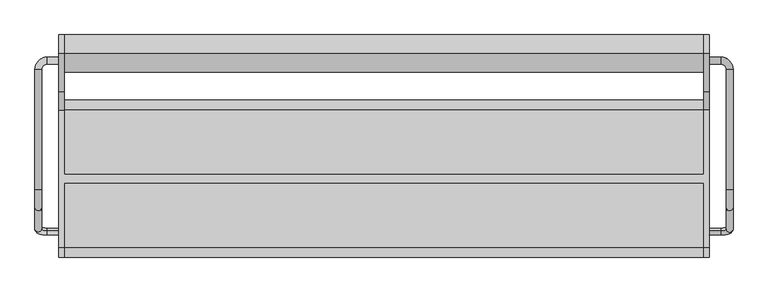
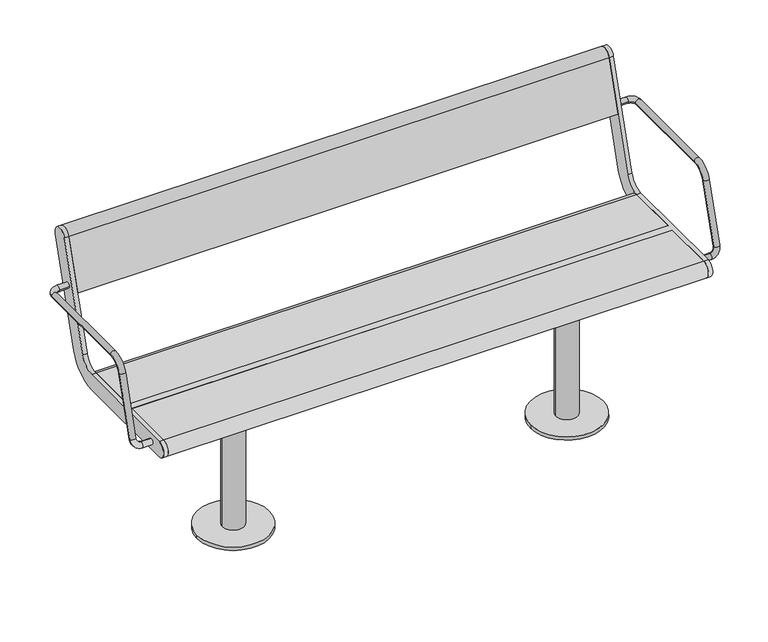
"""IFC4 building model written with IfcOpenShell, lengths in millimetres: furniture geometry."""

from ifc_helpers import new_model, si_unit, point, frame, frame_2d, origin, origin_with_axes, place, context, project, spatial, polyline, circle_curve, ellipse_curve, trimmed, segment, composite_curve, outline, extrude, source, transform, mapped, element, save
from ifc_brep_helpers import plane_surface, cylinder_surface, revolved_surface, advanced_brep


def furniture_fd13a393(model_context):
    return source(origin(), model_context, "Body", "SolidModel", [
        advanced_brep(
        [(-757.0, -121.1610264, 435.150438), (-757.0, -125.8389736, 419.849562), (-784.0, -125.8389736, 419.849562), (-784.0, -121.1610264, 435.150438), (-813.0, -117.3601942, 447.5823999), (-797.0, -117.3601942, 447.5823999), (-813.0, 254.5, 641.5), (-813.0, -24.7753858, 641.5), (-797.0, -24.7753858, 641.5), (-797.0, 254.5, 641.5), (-797.0, -67.8090998, 609.6567267), (-813.0, -67.8090998, 609.6567267), (-757.0, 267.5, 641.5), (-757.0, 283.5, 641.5), (-784.0, 283.5, 641.5), (-784.0, 267.5, 641.5)],
        [
            (0, 1, circle_curve(frame((-757.0, -123.5, 427.5), z_axis=(1.0, 0.0, 0.0), x_axis=(0.0, -0.2923717047227402, -0.9563047559630344)), 8.0)),
            (1, 0, circle_curve(frame((-757.0, -123.5, 427.5), z_axis=(1.0, 0.0, 0.0), x_axis=(0.0, -0.2923717047227402, -0.9563047559630344)), 8.0)),
            (1, 2),
            (2, 3, circle_curve(frame((-784.0, -123.5, 427.5), z_axis=(1.0, 0.0, 0.0), x_axis=(0.0, -0.2923717047227402, -0.9563047559630344)), 8.0)),
            (3, 0),
            (3, 2, circle_curve(frame((-784.0, -123.5, 427.5), z_axis=(1.0, 0.0, 0.0), x_axis=(0.0, -0.2923717047227402, -0.9563047559630344)), 8.0)),
            (2, 4, circle_curve(frame((-784.0, -117.3601942, 447.5823999), z_axis=(0.0, 0.9563047559630344, -0.29237170472274027), x_axis=(0.0, -0.29237170472274027, -0.9563047559630344)), 29.0)),
            (4, 5, circle_curve(frame((-805.0, -117.3601942, 447.5823999), z_axis=(0.0, -0.29237170472274027, -0.9563047559630344), x_axis=(-1.0, 0.0, 0.0)), 8.0)),
            (5, 3, circle_curve(frame((-784.0, -117.3601942, 447.5823999), z_axis=(0.0, -0.9563047559630344, 0.29237170472274027), x_axis=(0.0, -0.29237170472274027, -0.9563047559630344)), 13.0)),
            (5, 4, circle_curve(frame((-805.0, -117.3601942, 447.5823999), z_axis=(0.0, -0.29237170472274027, -0.9563047559630344), x_axis=(-1.0, 0.0, 0.0)), 8.0)),
            (6, 7),
            (7, 8, circle_curve(frame((-805.0, -24.7753858, 641.5), z_axis=(0.0, 1.0, 0.0), x_axis=(-1.0, 0.0, 0.0)), 8.0)),
            (8, 9),
            (9, 6, circle_curve(frame((-805.0, 254.5, 641.5), z_axis=(0.0, -1.0, 0.0), x_axis=(-1.0, 0.0, 0.0)), 8.0)),
            (6, 9, circle_curve(frame((-805.0, 254.5, 641.5), z_axis=(0.0, -1.0, 0.0), x_axis=(-1.0, 0.0, 0.0)), 8.0)),
            (8, 7, circle_curve(frame((-805.0, -24.7753858, 641.5), z_axis=(0.0, 1.0, 0.0), x_axis=(-1.0, 0.0, 0.0)), 8.0)),
            (10, 11, circle_curve(frame((-805.0, -67.8090998, 609.6567267), z_axis=(0.0, -0.2923717047227378, -0.9563047559630351), x_axis=(-1.0, 0.0, 0.0)), 8.0)),
            (11, 4),
            (5, 10),
            (11, 10, circle_curve(frame((-805.0, -67.8090998, 609.6567267), z_axis=(0.0, -0.2923717047227378, -0.9563047559630351), x_axis=(-1.0, 0.0, 0.0)), 8.0)),
            (7, 11, circle_curve(frame((-813.0, -24.7753858, 596.5), z_axis=(1.0, 0.0, 0.0), x_axis=(0.0, 0.0, 1.0)), 45.0)),
            (10, 8, circle_curve(frame((-797.0, -24.7753858, 596.5), z_axis=(-1.0, 0.0, 0.0), x_axis=(0.0, 0.0, 1.0)), 45.0)),
            (12, 13, circle_curve(frame((-757.0, 275.5, 641.5), z_axis=(1.0, 0.0, 0.0), x_axis=(0.0, 1.0, 0.0)), 8.0)),
            (13, 12, circle_curve(frame((-757.0, 275.5, 641.5), z_axis=(1.0, 0.0, 0.0), x_axis=(0.0, 1.0, 0.0)), 8.0)),
            (13, 14),
            (14, 15, circle_curve(frame((-784.0, 275.5, 641.5), z_axis=(1.0, 0.0, 0.0), x_axis=(0.0, 1.0, 0.0)), 8.0)),
            (15, 12),
            (15, 14, circle_curve(frame((-784.0, 275.5, 641.5), z_axis=(1.0, 0.0, 0.0), x_axis=(0.0, 1.0, 0.0)), 8.0)),
            (14, 6, circle_curve(frame((-784.0, 254.5, 641.5), z_axis=(0.0, 0.0, 1.0), x_axis=(0.0, 1.0, 0.0)), 29.0)),
            (9, 15, circle_curve(frame((-784.0, 254.5, 641.5), z_axis=(0.0, 0.0, -1.0), x_axis=(0.0, 1.0, 0.0)), 13.0)),
        ],
        [
            plane_surface(frame((-757.0, -736.969501, 615.0564486), z_axis=(1.0, 0.0, 0.0), x_axis=(0.0, 0.9563047559630344, -0.29237170472274027))),
            cylinder_surface(frame((-757.0, -123.5, 427.5), z_axis=(1.0, 0.0, 0.0), x_axis=(0.0, -0.2923717047227402, -0.9563047559630344)), 8.0),
            revolved_surface(trimmed(ellipse_curve(frame((-784.0, -123.5, 427.5), z_axis=(1.0, 0.0, 0.0), x_axis=(0.0, -0.2923717047227402, -0.9563047559630344)), 8.0, 8.0), [point((-784.0, -125.8389736, 419.849562))], [point((-784.0, -121.1610264, 435.150438))], True, "CARTESIAN"), (-784.0, -730.8296952, 635.1388485), (0.0, 0.9563047559630344, -0.29237170472274027)),
            revolved_surface(trimmed(ellipse_curve(frame((-784.0, -123.5, 427.5), z_axis=(1.0, 0.0, 0.0), x_axis=(0.0, -0.2923717047227402, -0.9563047559630344)), 8.0, 8.0), [point((-784.0, -121.1610264, 435.150438))], [point((-784.0, -125.8389736, 419.849562))], True, "CARTESIAN"), (-784.0, -730.8296952, 635.1388485), (0.0, 0.9563047559630344, -0.29237170472274027)),
            cylinder_surface(frame((-805.0, 254.5, 641.5), z_axis=(0.0, 1.0, 0.0), x_axis=(-1.0, 0.0, 0.0)), 8.0),
            cylinder_surface(frame((-805.0, -67.8090998, 609.6567267), z_axis=(0.0, 0.2923717047227378, 0.9563047559630351), x_axis=(-1.0, 0.0, 0.0)), 8.0),
            revolved_surface(trimmed(ellipse_curve(frame((-805.0, -24.7753858, 641.5), z_axis=(0.0, 1.0, 0.0), x_axis=(-1.0, 0.0, 0.0)), 8.0, 8.0), [point((-813.0, -24.7753858, 641.5))], [point((-797.0, -24.7753858, 641.5))], True, "CARTESIAN"), (-500.0, -24.7753858, 596.5), (1.0, 0.0, 0.0)),
            revolved_surface(trimmed(ellipse_curve(frame((-805.0, -24.7753858, 641.5), z_axis=(0.0, 1.0, 0.0), x_axis=(-1.0, 0.0, 0.0)), 8.0, 8.0), [point((-797.0, -24.7753858, 641.5))], [point((-813.0, -24.7753858, 641.5))], True, "CARTESIAN"), (-500.0, -24.7753858, 596.5), (1.0, 0.0, 0.0)),
            plane_surface(frame((-757.0, 275.5, 0.0), z_axis=(1.0, 0.0, 0.0), x_axis=(0.0, 0.0, 1.0))),
            cylinder_surface(frame((-757.0, 275.5, 641.5), z_axis=(1.0, 0.0, 0.0), x_axis=(0.0, 1.0, 0.0)), 8.0),
            revolved_surface(trimmed(ellipse_curve(frame((-784.0, 275.5, 641.5), z_axis=(1.0, 0.0, 0.0), x_axis=(0.0, 1.0, 0.0)), 8.0, 8.0), [point((-784.0, 283.5, 641.5))], [point((-784.0, 267.5, 641.5))], True, "CARTESIAN"), (-784.0, 254.5, 0.0), (0.0, 0.0, 1.0)),
            revolved_surface(trimmed(ellipse_curve(frame((-784.0, 275.5, 641.5), z_axis=(1.0, 0.0, 0.0), x_axis=(0.0, 1.0, 0.0)), 8.0, 8.0), [point((-784.0, 267.5, 641.5))], [point((-784.0, 283.5, 641.5))], True, "CARTESIAN"), (-784.0, 254.5, 0.0), (0.0, 0.0, 1.0)),
        ],
        [
            (0, [[1, 2]]),
            (1, [[-2, 3, 4, 5]]),
            (1, [[-1, -5, 6, -3]]),
            (2, [[-4, 7, 8, 9]]),
            (3, [[-6, -9, 10, -7]]),
            (4, [[11, 12, 13, 14]]),
            (4, [[-11, 15, -13, 16]]),
            (5, [[17, 18, -10, 19]]),
            (5, [[-18, 20, -19, -8]]),
            (6, [[-12, 21, -17, 22]]),
            (7, [[-16, -22, -20, -21]]),
            (8, [[23, 24]]),
            (9, [[-24, 25, 26, 27]]),
            (9, [[-23, -27, 28, -25]]),
            (10, [[-26, 29, -14, 30]]),
            (11, [[-28, -30, -15, -29]]),
        ],
    ),
        advanced_brep(
        [(797.0, 254.5, 641.5), (797.0, -24.7753858, 641.5), (813.0, -24.7753858, 641.5), (813.0, 254.5, 641.5), (813.0, -67.8090998, 609.6567267), (797.0, -67.8090998, 609.6567267), (797.0, -117.3601942, 447.5823999), (813.0, -117.3601942, 447.5823999), (757.0, 267.5, 641.5), (757.0, 283.5, 641.5), (784.0, 267.5, 641.5), (784.0, 283.5, 641.5), (757.0, -121.1610264, 435.150438), (757.0, -125.8389736, 419.849562), (784.0, -121.1610264, 435.150438), (784.0, -125.8389736, 419.849562)],
        [
            (0, 1),
            (1, 2, circle_curve(frame((805.0, -24.7753858, 641.5), z_axis=(0.0, 1.0, 0.0), x_axis=(1.0, 0.0, 0.0)), 8.0)),
            (2, 3),
            (3, 0, circle_curve(frame((805.0, 254.5, 641.5), z_axis=(0.0, -1.0, 0.0), x_axis=(1.0, 0.0, 0.0)), 8.0)),
            (0, 3, circle_curve(frame((805.0, 254.5, 641.5), z_axis=(0.0, -1.0, 0.0), x_axis=(1.0, 0.0, 0.0)), 8.0)),
            (2, 1, circle_curve(frame((805.0, -24.7753858, 641.5), z_axis=(0.0, 1.0, 0.0), x_axis=(1.0, 0.0, 0.0)), 8.0)),
            (4, 5, circle_curve(frame((805.0, -67.8090998, 609.6567267), z_axis=(0.0, -0.2923717047227378, -0.9563047559630351), x_axis=(1.0, 0.0, 0.0)), 8.0)),
            (5, 6),
            (6, 7, circle_curve(frame((805.0, -117.3601942, 447.5823999), z_axis=(0.0, 0.2923717047227378, 0.9563047559630351), x_axis=(1.0, 0.0, 0.0)), 8.0)),
            (7, 4),
            (5, 4, circle_curve(frame((805.0, -67.8090998, 609.6567267), z_axis=(0.0, -0.2923717047227378, -0.9563047559630351), x_axis=(1.0, 0.0, 0.0)), 8.0)),
            (7, 6, circle_curve(frame((805.0, -117.3601942, 447.5823999), z_axis=(0.0, 0.2923717047227378, 0.9563047559630351), x_axis=(1.0, 0.0, 0.0)), 8.0)),
            (1, 5, circle_curve(frame((797.0, -24.7753858, 596.5), z_axis=(1.0, 0.0, 0.0), x_axis=(0.0, 0.0, 1.0)), 45.0)),
            (4, 2, circle_curve(frame((813.0, -24.7753858, 596.5), z_axis=(-1.0, 0.0, 0.0), x_axis=(0.0, 0.0, 1.0)), 45.0)),
            (8, 9, circle_curve(frame((757.0, 275.5, 641.5), z_axis=(-1.0, 0.0, 0.0), x_axis=(0.0, 1.0, 0.0)), 8.0)),
            (9, 8, circle_curve(frame((757.0, 275.5, 641.5), z_axis=(-1.0, 0.0, 0.0), x_axis=(0.0, 1.0, 0.0)), 8.0)),
            (8, 10),
            (10, 11, circle_curve(frame((784.0, 275.5, 641.5), z_axis=(-1.0, 0.0, 0.0), x_axis=(0.0, 1.0, 0.0)), 8.0)),
            (11, 9),
            (11, 10, circle_curve(frame((784.0, 275.5, 641.5), z_axis=(-1.0, 0.0, 0.0), x_axis=(0.0, 1.0, 0.0)), 8.0)),
            (10, 0, circle_curve(frame((784.0, 254.5, 641.5), z_axis=(0.0, 0.0, -1.0), x_axis=(0.0, 1.0, 0.0)), 13.0)),
            (3, 11, circle_curve(frame((784.0, 254.5, 641.5), z_axis=(0.0, 0.0, 1.0), x_axis=(0.0, 1.0, 0.0)), 29.0)),
            (12, 13, circle_curve(frame((757.0, -123.5, 427.5), z_axis=(-1.0, 0.0, 0.0), x_axis=(0.0, -0.2923717047227402, -0.9563047559630344)), 8.0)),
            (13, 12, circle_curve(frame((757.0, -123.5, 427.5), z_axis=(-1.0, 0.0, 0.0), x_axis=(0.0, -0.2923717047227402, -0.9563047559630344)), 8.0)),
            (12, 14),
            (14, 15, circle_curve(frame((784.0, -123.5, 427.5), z_axis=(-1.0, 0.0, 0.0), x_axis=(0.0, -0.2923717047227402, -0.9563047559630344)), 8.0)),
            (15, 13),
            (15, 14, circle_curve(frame((784.0, -123.5, 427.5), z_axis=(-1.0, 0.0, 0.0), x_axis=(0.0, -0.2923717047227402, -0.9563047559630344)), 8.0)),
            (14, 6, circle_curve(frame((784.0, -117.3601942, 447.5823999), z_axis=(0.0, -0.9563047559630344, 0.2923717047227402), x_axis=(0.0, -0.2923717047227402, -0.9563047559630344)), 13.0)),
            (7, 15, circle_curve(frame((784.0, -117.3601942, 447.5823999), z_axis=(0.0, 0.9563047559630344, -0.2923717047227402), x_axis=(0.0, -0.2923717047227402, -0.9563047559630344)), 29.0)),
        ],
        [
            cylinder_surface(frame((805.0, 254.5, 641.5), z_axis=(0.0, 1.0, 0.0), x_axis=(1.0, 0.0, 0.0)), 8.0),
            cylinder_surface(frame((805.0, -67.8090998, 609.6567267), z_axis=(0.0, 0.2923717047227378, 0.9563047559630351), x_axis=(1.0, 0.0, 0.0)), 8.0),
            revolved_surface(trimmed(ellipse_curve(frame((805.0, -24.7753858, 641.5), z_axis=(0.0, 1.0, 0.0), x_axis=(1.0, 0.0, 0.0)), 8.0, 8.0), [point((797.0, -24.7753858, 641.5))], [point((813.0, -24.7753858, 641.5))], True, "CARTESIAN"), (0.0, -24.7753858, 596.5), (1.0, 0.0, 0.0)),
            revolved_surface(trimmed(ellipse_curve(frame((805.0, -24.7753858, 641.5), z_axis=(0.0, 1.0, 0.0), x_axis=(1.0, 0.0, 0.0)), 8.0, 8.0), [point((813.0, -24.7753858, 641.5))], [point((797.0, -24.7753858, 641.5))], True, "CARTESIAN"), (0.0, -24.7753858, 596.5), (1.0, 0.0, 0.0)),
            plane_surface(frame((757.0, 275.5, 0.0), z_axis=(-1.0, 0.0, 0.0), x_axis=(0.0, 0.0, 1.0))),
            cylinder_surface(frame((757.0, 275.5, 641.5), z_axis=(-1.0, 0.0, 0.0), x_axis=(0.0, 1.0, 0.0)), 8.0),
            revolved_surface(trimmed(ellipse_curve(frame((784.0, 275.5, 641.5), z_axis=(-1.0, 0.0, 0.0), x_axis=(0.0, 1.0, 0.0)), 8.0, 8.0), [point((784.0, 267.5, 641.5))], [point((784.0, 283.5, 641.5))], True, "CARTESIAN"), (784.0, 254.5, 0.0), (0.0, 0.0, -1.0)),
            revolved_surface(trimmed(ellipse_curve(frame((784.0, 275.5, 641.5), z_axis=(-1.0, 0.0, 0.0), x_axis=(0.0, 1.0, 0.0)), 8.0, 8.0), [point((784.0, 283.5, 641.5))], [point((784.0, 267.5, 641.5))], True, "CARTESIAN"), (784.0, 254.5, 0.0), (0.0, 0.0, -1.0)),
            plane_surface(frame((757.0, -736.969501, 615.0564486), z_axis=(-1.0, 0.0, 0.0), x_axis=(0.0, 0.9563047559630344, -0.2923717047227402))),
            cylinder_surface(frame((757.0, -123.5, 427.5), z_axis=(-1.0, 0.0, 0.0), x_axis=(0.0, -0.2923717047227402, -0.9563047559630344)), 8.0),
            revolved_surface(trimmed(ellipse_curve(frame((784.0, -123.5, 427.5), z_axis=(-1.0, 0.0, 0.0), x_axis=(0.0, -0.2923717047227402, -0.9563047559630344)), 8.0, 8.0), [point((784.0, -121.1610264, 435.150438))], [point((784.0, -125.8389736, 419.849562))], True, "CARTESIAN"), (784.0, -730.8296952, 635.1388485), (0.0, -0.9563047559630344, 0.2923717047227402)),
            revolved_surface(trimmed(ellipse_curve(frame((784.0, -123.5, 427.5), z_axis=(-1.0, 0.0, 0.0), x_axis=(0.0, -0.2923717047227402, -0.9563047559630344)), 8.0, 8.0), [point((784.0, -125.8389736, 419.849562))], [point((784.0, -121.1610264, 435.150438))], True, "CARTESIAN"), (784.0, -730.8296952, 635.1388485), (0.0, -0.9563047559630344, 0.2923717047227402)),
        ],
        [
            (0, [[1, 2, 3, 4]]),
            (0, [[-1, 5, -3, 6]]),
            (1, [[7, 8, 9, 10]]),
            (1, [[-8, 11, -10, 12]]),
            (2, [[-2, 13, -7, 14]]),
            (3, [[-6, -14, -11, -13]]),
            (4, [[15, 16]]),
            (5, [[-15, 17, 18, 19]]),
            (5, [[-16, -19, 20, -17]]),
            (6, [[-18, 21, -4, 22]]),
            (7, [[-20, -22, -5, -21]]),
            (8, [[23, 24]]),
            (9, [[-23, 25, 26, 27]]),
            (9, [[-24, -27, 28, -25]]),
            (10, [[-26, 29, -12, 30]]),
            (11, [[-28, -30, -9, -29]]),
        ],
    ),
        advanced_brep(
        [(-745.0, 291.5375971, 769.6910048), (-745.0, 203.533714, 481.8432733), (-745.0, 160.5, 450.0), (-745.0, 10.0, 450.0), (-745.0, 10.0, 405.0), (-745.0, 160.5, 405.0), (-745.0, 246.567428, 468.6865466), (-745.0, 334.5713112, 756.5342781), (-745.0, -160.5, 450.0), (-745.0, -160.5, 405.0), (-745.0, -10.0, 405.0), (-745.0, -10.0, 450.0), (-757.0, 291.5375971, 769.6910048), (-757.0, 334.5713112, 756.5342781), (-757.0, 246.567428, 468.6865466), (-757.0, 160.5, 405.0), (-757.0, -160.5, 405.0), (-757.0, -160.5, 450.0), (-757.0, 160.5, 450.0), (-757.0, 203.533714, 481.8432733), (745.0, -10.0, 450.0), (745.0, -160.5, 450.0), (757.0, -160.5, 450.0), (757.0, 160.5, 450.0), (745.0, 160.5, 450.0), (745.0, 10.0, 450.0), (745.0, 10.0, 405.0), (745.0, 160.5, 405.0), (757.0, 160.5, 405.0), (757.0, -160.5, 405.0), (745.0, -160.5, 405.0), (745.0, -10.0, 405.0), (757.0, 291.5375971, 769.6910048), (757.0, 203.533714, 481.8432733), (757.0, 246.567428, 468.6865466), (757.0, 334.5713112, 756.5342781), (745.0, 291.5375971, 769.6910048), (745.0, 334.5713112, 756.5342781), (745.0, 246.567428, 468.6865466), (745.0, 203.533714, 481.8432733)],
        [
            (0, 1),
            (1, 2, circle_curve(frame((-745.0, 160.5, 495.0), z_axis=(-1.0, 0.0, 0.0), x_axis=(0.0, -1.0, 0.0)), 45.0)),
            (2, 3),
            (3, 4),
            (4, 5),
            (5, 6, circle_curve(frame((-745.0, 160.5, 495.0), z_axis=(1.0, 0.0, 0.0), x_axis=(0.0, -1.0, 0.0)), 90.0)),
            (6, 7),
            (7, 0, circle_curve(frame((-745.0, 313.0544541, 763.1126415), z_axis=(1.0, 0.0, 0.0), x_axis=(0.0, -1.0, 0.0)), 22.5)),
            (8, 9, circle_curve(frame((-745.0, -160.5, 427.5), z_axis=(1.0, 0.0, 0.0), x_axis=(0.0, -1.0, 0.0)), 22.5)),
            (9, 10),
            (10, 11),
            (11, 8),
            (12, 13, circle_curve(frame((-757.0, 313.0544541, 763.1126415), z_axis=(-1.0, 0.0, 0.0), x_axis=(0.0, -1.0, 0.0)), 22.5)),
            (13, 14),
            (14, 15, circle_curve(frame((-757.0, 160.5, 495.0), z_axis=(-1.0, 0.0, 0.0), x_axis=(0.0, -1.0, 0.0)), 90.0)),
            (15, 16),
            (16, 17, circle_curve(frame((-757.0, -160.5, 427.5), z_axis=(-1.0, 0.0, 0.0), x_axis=(0.0, -1.0, 0.0)), 22.5)),
            (17, 18),
            (18, 19, circle_curve(frame((-757.0, 160.5, 495.0), z_axis=(1.0, 0.0, 0.0), x_axis=(0.0, -1.0, 0.0)), 45.0)),
            (19, 12),
            (0, 12),
            (19, 1),
            (18, 2),
            (17, 8),
            (11, 20),
            (20, 21),
            (21, 22),
            (22, 23),
            (23, 24),
            (24, 25),
            (25, 3),
            (15, 5),
            (4, 26),
            (26, 27),
            (27, 28),
            (28, 29),
            (29, 30),
            (30, 31),
            (31, 10),
            (9, 16),
            (14, 6),
            (13, 7),
            (31, 20),
            (25, 26),
            (32, 33),
            (33, 23, circle_curve(frame((757.0, 160.5, 495.0), z_axis=(-1.0, 0.0, 0.0), x_axis=(0.0, -1.0, 0.0)), 45.0)),
            (22, 29, circle_curve(frame((757.0, -160.5, 427.5), z_axis=(1.0, 0.0, 0.0), x_axis=(0.0, -1.0, 0.0)), 22.5)),
            (28, 34, circle_curve(frame((757.0, 160.5, 495.0), z_axis=(1.0, 0.0, 0.0), x_axis=(0.0, -1.0, 0.0)), 90.0)),
            (34, 35),
            (35, 32, circle_curve(frame((757.0, 313.0544541, 763.1126415), z_axis=(1.0, 0.0, 0.0), x_axis=(0.0, -1.0, 0.0)), 22.5)),
            (36, 37, circle_curve(frame((745.0, 313.0544541, 763.1126415), z_axis=(-1.0, 0.0, 0.0), x_axis=(0.0, -1.0, 0.0)), 22.5)),
            (37, 38),
            (38, 27, circle_curve(frame((745.0, 160.5, 495.0), z_axis=(-1.0, 0.0, 0.0), x_axis=(0.0, -1.0, 0.0)), 90.0)),
            (24, 39, circle_curve(frame((745.0, 160.5, 495.0), z_axis=(1.0, 0.0, 0.0), x_axis=(0.0, -1.0, 0.0)), 45.0)),
            (39, 36),
            (30, 21, circle_curve(frame((745.0, -160.5, 427.5), z_axis=(-1.0, 0.0, 0.0), x_axis=(0.0, -1.0, 0.0)), 22.5)),
            (32, 36),
            (39, 33),
            (38, 34),
            (37, 35),
        ],
        [
            plane_surface(frame((-745.0, 203.533714, 481.8432733), z_axis=(1.0000000000000002, 0.0, 0.0), x_axis=(0.0, -0.29237170472273394, -0.9563047559630364))),
            plane_surface(frame((-757.0, 203.533714, 481.8432733), z_axis=(-1.0000000000000002, 0.0, 0.0), x_axis=(0.0, 0.29237170472273394, 0.9563047559630364))),
            plane_surface(frame((-745.0, 291.5375971, 769.6910048), z_axis=(0.0, -0.9563047559630364, 0.29237170472273394), x_axis=(-1.0, 0.0, 0.0))),
            revolved_surface(polyline([(-757.0, 115.5, 495.0), (-745.0, 115.5, 495.0)]), (-757.0, 160.5, 495.0), (-1.0, 0.0, 0.0)),
            plane_surface(frame((-745.0, 160.5, 450.0), z_axis=(0.0, 0.0, 1.0), x_axis=(-1.0, 0.0, 0.0))),
            plane_surface(frame((-745.0, -160.5, 405.0), z_axis=(0.0, 0.0, -1.0), x_axis=(-1.0, 0.0, 0.0))),
            cylinder_surface(frame((-757.0, 160.5, 495.0), z_axis=(1.0, 0.0, 0.0), x_axis=(0.0, -1.0, 0.0)), 90.0),
            plane_surface(frame((-745.0, 246.567428, 468.6865466), z_axis=(0.0, 0.9563047559630364, -0.29237170472273366), x_axis=(-1.0, 0.0, 0.0))),
            cylinder_surface(frame((-757.0, 313.0544541, 763.1126415), z_axis=(1.0, 0.0, 0.0), x_axis=(0.0, -1.0, 0.0)), 22.5),
            cylinder_surface(frame((-757.0, -160.5, 427.5), z_axis=(1.0, 0.0, 0.0), x_axis=(0.0, -1.0, 0.0)), 22.5),
            plane_surface(frame((745.0, -10.0, 450.0), z_axis=(0.0, -1.0, 0.0), x_axis=(-1.0, 0.0, 0.0))),
            plane_surface(frame((745.0, 10.0, 405.0), z_axis=(0.0, 1.0, 0.0), x_axis=(-1.0, 0.0, 0.0))),
            plane_surface(frame((757.0, 203.533714, 481.8432733), z_axis=(1.0000000000000002, 0.0, 0.0), x_axis=(0.0, -0.29237170472273394, -0.9563047559630364))),
            plane_surface(frame((745.0, 203.533714, 481.8432733), z_axis=(-1.0000000000000002, 0.0, 0.0), x_axis=(0.0, 0.29237170472273394, 0.9563047559630364))),
            plane_surface(frame((757.0, 291.5375971, 769.6910048), z_axis=(0.0, -0.9563047559630364, 0.29237170472273394), x_axis=(-1.0, 0.0, 0.0))),
            revolved_surface(polyline([(745.0, 115.5, 495.0), (757.0, 115.5, 495.0)]), (745.0, 160.5, 495.0), (-1.0, 0.0, 0.0)),
            cylinder_surface(frame((745.0, 160.5, 495.0), z_axis=(1.0, 0.0, 0.0), x_axis=(0.0, -1.0, 0.0)), 90.0),
            plane_surface(frame((757.0, 246.567428, 468.6865466), z_axis=(0.0, 0.9563047559630364, -0.29237170472273366), x_axis=(-1.0, 0.0, 0.0))),
            cylinder_surface(frame((745.0, 313.0544541, 763.1126415), z_axis=(1.0, 0.0, 0.0), x_axis=(0.0, -1.0, 0.0)), 22.5),
            cylinder_surface(frame((745.0, -160.5, 427.5), z_axis=(1.0, 0.0, 0.0), x_axis=(0.0, -1.0, 0.0)), 22.5),
        ],
        [
            (0, [[1, 2, 3, 4, 5, 6, 7, 8]]),
            (0, [[9, 10, 11, 12]]),
            (1, [[13, 14, 15, 16, 17, 18, 19, 20]]),
            (2, [[-1, 21, -20, 22]]),
            (3, [[-2, -22, -19, 23]]),
            (4, [[-18, 24, -12, 25, 26, 27, 28, 29, 30, 31, -3, -23]]),
            (5, [[-16, 32, -5, 33, 34, 35, 36, 37, 38, 39, -10, 40]]),
            (6, [[-6, -32, -15, 41]]),
            (7, [[-7, -41, -14, 42]]),
            (8, [[-8, -42, -13, -21]]),
            (9, [[-9, -24, -17, -40]]),
            (10, [[-25, -11, -39, 43]]),
            (11, [[-31, 44, -33, -4]]),
            (12, [[45, 46, -28, 47, -36, 48, 49, 50]]),
            (13, [[51, 52, 53, -34, -44, -30, 54, 55]]),
            (13, [[56, -26, -43, -38]]),
            (14, [[-45, 57, -55, 58]]),
            (15, [[-46, -58, -54, -29]]),
            (16, [[-48, -35, -53, 59]]),
            (17, [[-49, -59, -52, 60]]),
            (18, [[-50, -60, -51, -57]]),
            (19, [[-47, -27, -56, -37]]),
        ],
    ),
        extrude(outline(composite_curve([segment(trimmed(circle_curve(frame_2d((313.0544541, 763.1126415)), 22.5), [point((291.5375971, 769.6910048))], [point((334.5713112, 756.5342781))], False, "CARTESIAN"), True, "CONTINUOUS"), segment(polyline([(334.5713112, 756.5342781), (292.0312281, 617.3919361), (248.9975141, 630.5486628), (291.5375971, 769.6910048)]), True, "CONTINUOUS")], self_intersect=False)), frame((-745.0, 0.0, 0.0), z_axis=(1.0, 0.0, 0.0), x_axis=(0.0, 1.0, 0.0)), (0.0, 0.0, 1.0), 1490.0),
        extrude(outline(composite_curve([segment(polyline([(10.0, 405.0), (10.0, 450.0), (160.5, 450.0)]), True, "CONTINUOUS"), segment(trimmed(circle_curve(frame_2d((160.5, 427.5)), 22.5), [point((160.5, 450.0))], [point((160.5, 405.0))], False, "CARTESIAN"), True, "CONTINUOUS"), segment(polyline([(160.5, 405.0), (10.0, 405.0)]), True, "CONTINUOUS")], self_intersect=False)), frame((-745.0, 0.0, 0.0), z_axis=(1.0, 0.0, 0.0), x_axis=(0.0, 1.0, 0.0)), (0.0, 0.0, 1.0), 1490.0),
        extrude(outline(composite_curve([segment(polyline([(-10.0, 405.0), (-160.5, 405.0)]), True, "CONTINUOUS"), segment(trimmed(circle_curve(frame_2d((-160.5, 427.5)), 22.5), [point((-160.5, 405.0))], [point((-160.5, 450.0))], False, "CARTESIAN"), True, "CONTINUOUS"), segment(polyline([(-160.5, 450.0), (-10.0, 450.0), (-10.0, 405.0)]), True, "CONTINUOUS")], self_intersect=False)), frame((-745.0, 0.0, 0.0), z_axis=(1.0, 0.0, 0.0), x_axis=(0.0, 1.0, 0.0)), (0.0, 0.0, 1.0), 1490.0),
        extrude(outline(composite_curve([segment(trimmed(circle_curve(frame_2d((460.0, 0.0)), 100.0), [point((360.0, 0.0))], [point((560.0, 0.0))], False, "CARTESIAN"), True, "CONTINUOUS"), segment(trimmed(circle_curve(frame_2d((460.0, 0.0)), 100.0), [point((560.0, 0.0))], [point((360.0, 0.0))], False, "CARTESIAN"), True, "CONTINUOUS")], self_intersect=False)), origin_with_axes(), (0.0, 0.0, 1.0), 10.0),
        extrude(outline(composite_curve([segment(trimmed(circle_curve(frame_2d((460.0, 0.0)), 30.0), [point((430.0, 0.0))], [point((490.0, 0.0))], False, "CARTESIAN"), True, "CONTINUOUS"), segment(trimmed(circle_curve(frame_2d((460.0, 0.0)), 30.0), [point((490.0, 0.0))], [point((430.0, 0.0))], False, "CARTESIAN"), True, "CONTINUOUS")], self_intersect=False)), frame((0.0, 0.0, 10.0), z_axis=(0.0, 0.0, 1.0), x_axis=(1.0, 0.0, 0.0)), (0.0, 0.0, 1.0), 379.0),
        extrude(outline(polyline([(535.0, 125.0), (535.0, -125.0), (385.0, -125.0), (385.0, 125.0), (535.0, 125.0)])), frame((0.0, 0.0, 389.0), z_axis=(0.0, 0.0, 1.0), x_axis=(1.0, 0.0, 0.0)), (0.0, 0.0, 1.0), 16.0),
        extrude(outline(composite_curve([segment(trimmed(circle_curve(frame_2d((-460.0, 0.0)), 100.0), [point((-560.0, 0.0))], [point((-360.0, 0.0))], False, "CARTESIAN"), True, "CONTINUOUS"), segment(trimmed(circle_curve(frame_2d((-460.0, 0.0)), 100.0), [point((-360.0, 0.0))], [point((-560.0, 0.0))], False, "CARTESIAN"), True, "CONTINUOUS")], self_intersect=False)), origin_with_axes(), (0.0, 0.0, 1.0), 10.0),
        extrude(outline(composite_curve([segment(trimmed(circle_curve(frame_2d((-460.0, 0.0)), 30.0), [point((-490.0, 0.0))], [point((-430.0, 0.0))], False, "CARTESIAN"), True, "CONTINUOUS"), segment(trimmed(circle_curve(frame_2d((-460.0, 0.0)), 30.0), [point((-430.0, 0.0))], [point((-490.0, 0.0))], False, "CARTESIAN"), True, "CONTINUOUS")], self_intersect=False)), frame((0.0, 0.0, 10.0), z_axis=(0.0, 0.0, 1.0), x_axis=(1.0, 0.0, 0.0)), (0.0, 0.0, 1.0), 379.0),
        extrude(outline(polyline([(-385.0, 125.0), (-385.0, -125.0), (-535.0, -125.0), (-535.0, 125.0), (-385.0, 125.0)])), frame((0.0, 0.0, 389.0), z_axis=(0.0, 0.0, 1.0), x_axis=(1.0, 0.0, 0.0)), (0.0, 0.0, 1.0), 16.0),
    ])


if __name__ == "__main__":
    model = new_model("IFC4")
    model_context = context("Model", 3, world=origin())
    ifc_project = project(units=[si_unit("LENGTHUNIT", "METRE", prefix="MILLI")], contexts=[model_context])
    site = spatial("IfcSite", under=ifc_project)
    building = spatial("IfcBuilding", under=site)
    placement = place(None, origin())
    furniture_shape = furniture_fd13a393(model_context)
    element("IfcFurniture", 1, at=placement, inside=building, context=model_context, shape_type="MappedRepresentation", body=[
        mapped(furniture_shape, transform((0.0, 0.0, 0.0), x_axis=(1.0, 0.0, 0.0), y_axis=(0.0, 1.0, 0.0), z_axis=(0.0, 0.0, 1.0))),
    ])
    save(model, "model.ifc")
